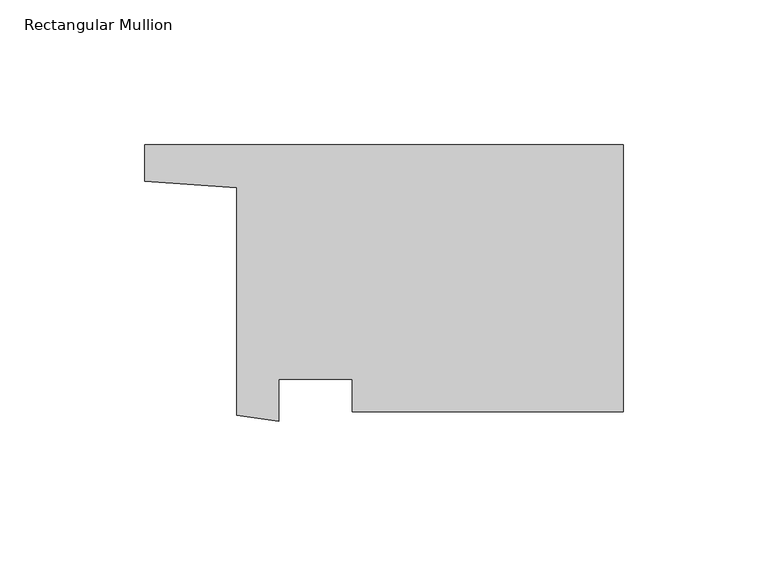
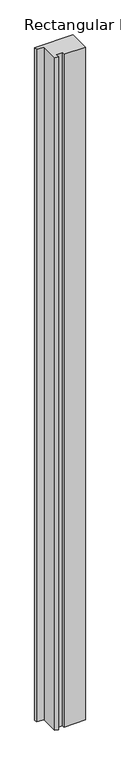
"""IFC4 building model written with IfcOpenShell, lengths in millimetres: member geometry, Rectangular Mullion."""

from ifc_helpers import new_model, si_unit, frame, origin, place, context, project, spatial, polyline, outline, extrude, source, transform, mapped, element, save


def rectangular_mullion_1bc98b1d(model_context):
    return source(origin(), model_context, "Body", "SweptSolid", [
        extrude(outline(polyline([(-133.3499375, 35.8151594), (-165.1, 38.0144936), (-165.1, 50.5967865), (0.0, 50.5967865), (0.0, -41.4783405), (-93.4483077, -41.4783405), (-93.4483077, -30.3658405), (-118.8413849, -30.3658405), (-118.8413849, -44.8750531), (-133.3499375, -42.8187228), (-133.3499375, 35.8151594)])), frame((0.0, 0.0, -3048.0), z_axis=(0.0, 0.0, 1.0), x_axis=(1.0, 0.0, 0.0)), (0.0, 0.0, 1.0), 3048.0),
    ])


if __name__ == "__main__":
    model = new_model("IFC4")
    model_context = context("Model", 3, world=origin())
    ifc_project = project(units=[si_unit("LENGTHUNIT", "METRE", prefix="MILLI")], contexts=[model_context])
    site = spatial("IfcSite", under=ifc_project)
    building = spatial("IfcBuilding", under=site)
    placement = place(None, origin())
    rectangular_mullion_shape = rectangular_mullion_1bc98b1d(model_context)
    element("IfcMember", 1, ObjectType="Rectangular Mullion", at=placement, inside=building, context=model_context, shape_type="MappedRepresentation", body=[
        mapped(rectangular_mullion_shape, transform((0.0, 0.0, 0.0), x_axis=(1.0, 0.0, 0.0), y_axis=(0.0, 1.0, 0.0), z_axis=(0.0, 0.0, 1.0))),
    ])
    save(model, "model.ifc")
